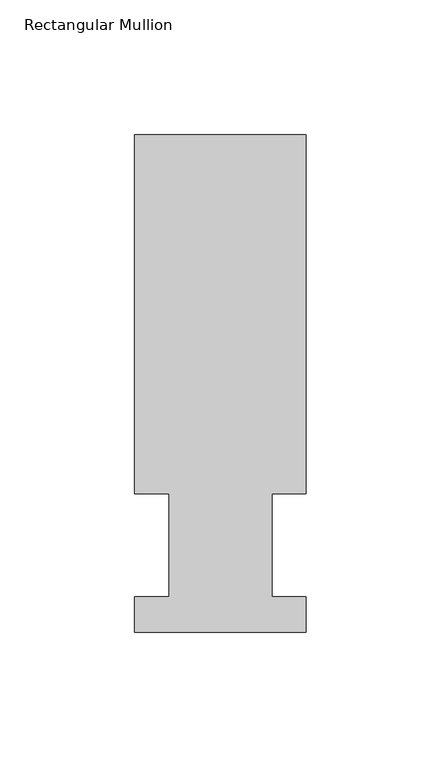
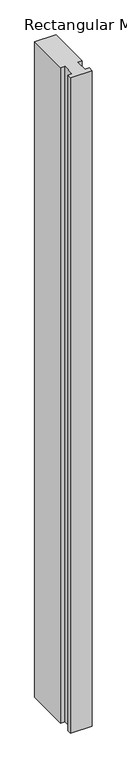
"""IFC4 building model written with IfcOpenShell, lengths in millimetres: member geometry, Rectangular Mullion."""

from ifc_helpers import new_model, si_unit, frame, origin, place, context, project, spatial, polyline, outline, extrude, source, transform, mapped, element, save


def rectangular_mullion_7ff5a45a(model_context):
    return source(origin(), model_context, "Body", "SweptSolid", [
        extrude(outline(polyline([(-31.7499998, 184.2396938), (31.7499998, 184.2396938), (31.7499998, 51.2960938), (19.0499994, 51.2960938), (19.0499994, 13.1960938), (31.7499998, 13.1960938), (31.7499998, 0.0134938), (-31.7500002, 0.0134938), (-31.7500002, 13.1960938), (-19.0499998, 13.1960938), (-19.0499998, 51.2960938), (-31.7499998, 51.2960938), (-31.7499998, 184.2396938)])), frame((0.0, 0.0, -2057.4), z_axis=(0.0, 0.0, 1.0), x_axis=(1.0, 0.0, 0.0)), (0.0, 0.0, 1.0), 2057.4),
    ])


if __name__ == "__main__":
    model = new_model("IFC4")
    model_context = context("Model", 3, world=origin())
    ifc_project = project(units=[si_unit("LENGTHUNIT", "METRE", prefix="MILLI")], contexts=[model_context])
    site = spatial("IfcSite", under=ifc_project)
    building = spatial("IfcBuilding", under=site)
    placement = place(None, origin())
    rectangular_mullion_shape = rectangular_mullion_7ff5a45a(model_context)
    element("IfcMember", 1, ObjectType="Rectangular Mullion", at=placement, inside=building, context=model_context, shape_type="MappedRepresentation", body=[
        mapped(rectangular_mullion_shape, transform((0.0, 0.0, 0.0), x_axis=(1.0, 0.0, 0.0), y_axis=(0.0, 1.0, 0.0), z_axis=(0.0, 0.0, 1.0))),
    ])
    save(model, "model.ifc")
